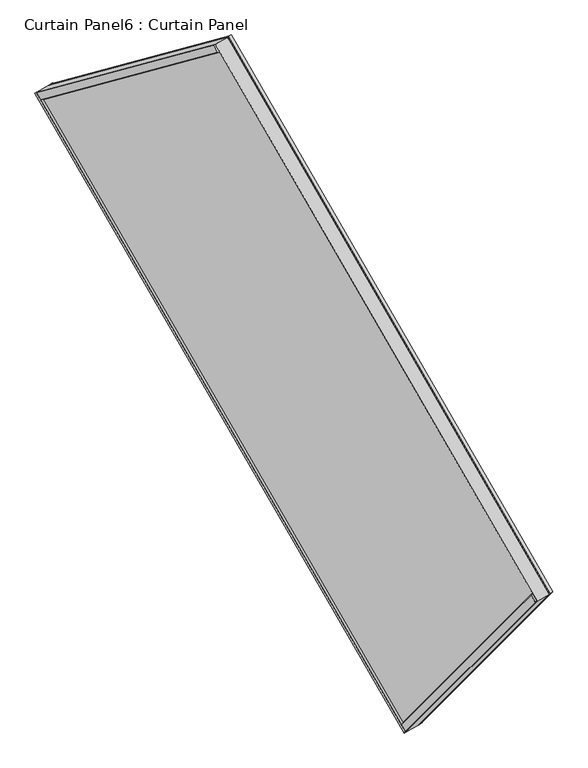
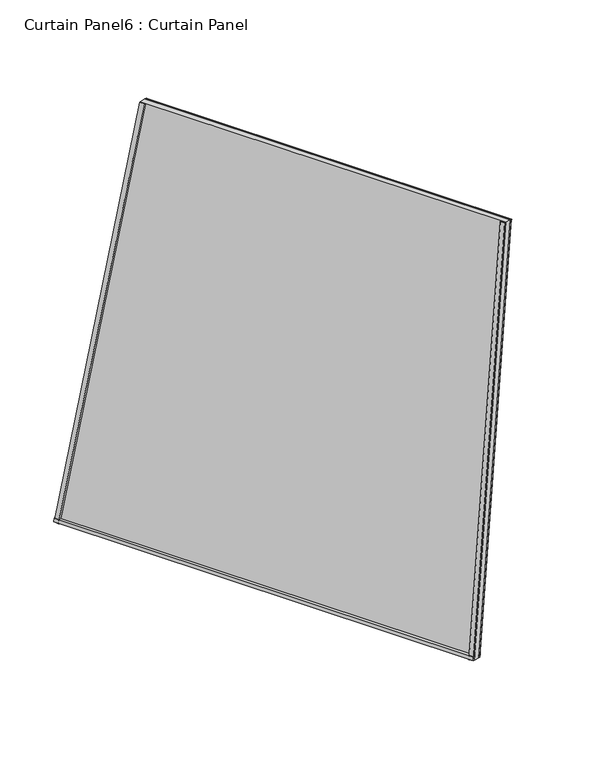
"""IFC4 building model written with IfcOpenShell, lengths in millimetres: plate geometry, Curtain Panel6 : Curtain Panel."""

from ifc_helpers import new_model, si_unit, frame, origin, place, context, project, spatial, polyline, outline, extrude, source, transform, mapped, element, save


def curtain_panel6_curtain_panel_8bd86231(model_context):
    return source(origin(), model_context, "Body", "SweptSolid", [
        extrude(outline(polyline([(41.5312673, 12.7415142), (41.5312673, 0.3142863), (36.8101563, 0.3142863), (36.8101563, 17.180768), (41.5312673, 12.7415142)])), frame((-14352.6987993, -15834.0119435, 980.1683943), z_axis=(-0.5000000000000033, 0.8660254037844368, 0.0), x_axis=(-0.8383994929501009, -0.48405017294319075, 0.25056280708573037)), (0.0, 0.0, 1.0), 1545.7655054),
        extrude(outline(polyline([(6.6476563, 11.8462655), (6.6476563, 0.3142863), (-0.0992187, 0.3142863), (-0.0992187, 10.6518479), (6.6476563, 11.8462655)])), frame((-14352.6987993, -15834.0119435, 980.1683943), z_axis=(-0.5000000000000033, 0.8660254037844368, 0.0), x_axis=(-0.8383994929501009, -0.48405017294319075, 0.25056280708573037)), (0.0, 0.0, 1.0), 1545.7655054),
        extrude(outline(polyline([(6.6476563, -13.2625543), (-0.3265334, -11.3661011), (-3.1112361, -0.595864), (3.4423475, 0.6093187), (6.6476562, 0.5811595), (6.6476563, -13.2625543)])), frame((-14079.1527898, -15560.465934, 2423.9214922), z_axis=(-0.500000000000003, 0.866025403784437, 0.0), x_axis=(-0.838399492950101, -0.4840501729431907, 0.2505628070857303)), (0.0, 0.0, 1.0), 1345.5159282),
        extrude(outline(polyline([(36.8121359, 19.5652054), (41.5508549, 16.5450503), (41.550855, 0.3892006), (36.8121359, 0.3892005), (36.8121359, 19.5652054)])), frame((-15125.5921023, -14495.3214739, 980.1683943), z_axis=(0.24999999999999978, 0.06698729810777926, 0.9659258262890684), x_axis=(-0.8383994929501007, -0.48405017294319086, 0.2505628070857304)), (0.0, 0.0, 1.0), 1494.6831926),
        extrude(outline(polyline([(0.3748285, 0.0), (-2.8787644, 0.8420918), (0.3033282, 13.1367532), (6.6476562, 11.4947202), (6.6476563, 0.0), (0.3748285, 0.0)])), frame((-15125.5921023, -14495.3214739, 980.1683943), z_axis=(0.24999999999999978, 0.06698729810777926, 0.9659258262890684), x_axis=(-0.8383994929501007, -0.48405017294319086, 0.2505628070857304)), (0.0, 0.0, 1.0), 1494.6831926),
        extrude(outline(polyline([(41.5555997, -16.5154438), (36.8101563, -19.5709203), (36.8101563, -0.3891329), (41.5451551, -0.3891329), (41.5555997, -16.5154438)])), frame((-14352.688249, -15834.0302172, 980.1683943), z_axis=(0.1830127018922188, 0.18301270189221747, 0.9659258262890689), x_axis=(-0.8383994929501009, -0.48405017294319075, 0.2505628070857304)), (0.0, 0.0, 1.0), 1494.6831926),
        extrude(outline(polyline([(0.3506558, 0.0), (6.6476563, -1e-07), (6.6476563, -11.4914617), (0.3030135, -13.133576), (-2.8798062, -0.8361051), (0.3506558, 0.0)])), frame((-14352.688249, -15834.0302172, 980.1683943), z_axis=(0.1830127018922188, 0.18301270189221747, 0.9659258262890689), x_axis=(-0.8383994929501009, -0.48405017294319075, 0.2505628070857304)), (0.0, 0.0, 1.0), 1494.6831926),
        extrude(outline(polyline([(-69.1681417, 0.0), (-172.7147964, -1542.2934507), (-1653.9838109, -1342.4936684), (-1563.8513343, 0.0), (-69.1681417, 0.0)])), frame((-14370.8626413, -15849.849017, 915.327016), z_axis=(-0.8383994929501007, -0.4840501729431908, 0.25056280708573037), x_axis=(-0.18301270189221844, -0.1830127018922181, -0.9659258262890688)), (0.0, 0.0, 1.0), 30.1625),
    ])


if __name__ == "__main__":
    model = new_model("IFC4")
    model_context = context("Model", 3, world=origin())
    ifc_project = project(units=[si_unit("LENGTHUNIT", "METRE", prefix="MILLI")], contexts=[model_context])
    site = spatial("IfcSite", under=ifc_project)
    building = spatial("IfcBuilding", under=site)
    placement = place(None, origin())
    curtain_panel6_curtain_panel_shape = curtain_panel6_curtain_panel_8bd86231(model_context)
    element("IfcPlate", 1, ObjectType="Curtain Panel6 : Curtain Panel", at=placement, inside=building, context=model_context, shape_type="MappedRepresentation", body=[
        mapped(curtain_panel6_curtain_panel_shape, transform((0.0, 0.0, 0.0), x_axis=(1.0, 0.0, 0.0), y_axis=(0.0, 1.0, 0.0), z_axis=(0.0, 0.0, 1.0))),
    ])
    save(model, "model.ifc")
